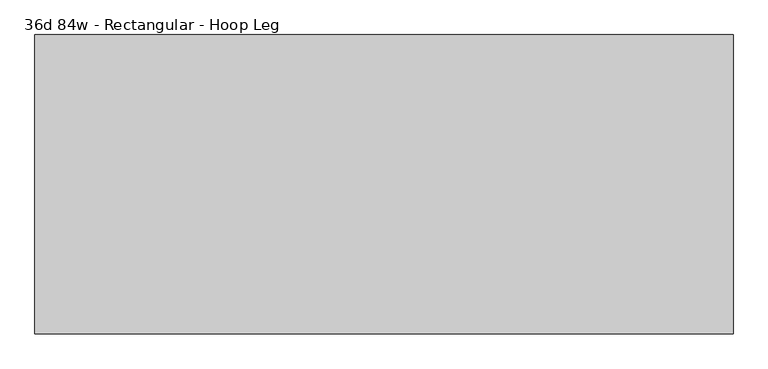
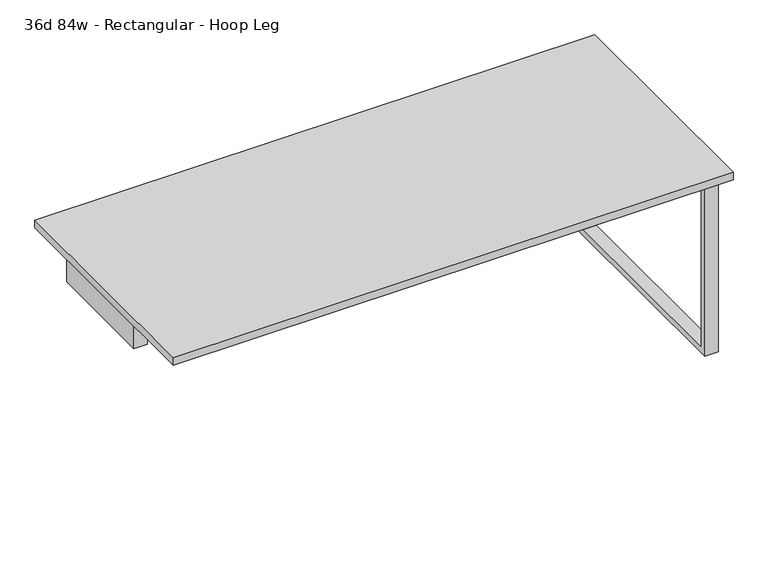
"""IFC4 building model written with IfcOpenShell, lengths in millimetres: furniture geometry, 36d 84w - Rectangular - Hoop Leg."""

from ifc_helpers import new_model, si_unit, frame, origin, place, context, project, spatial, polyline, outline, extrude, source, transform, mapped, element, save


def furniture_36d_84w_rectangular_hoop_leg_ca99e7e8(model_context):
    return source(origin(), model_context, "Body", "SweptSolid", [
        extrude(outline(polyline([(-390.525, 706.4375), (-390.525, 20.6375), (390.525, 20.6375), (390.525, 706.4375), (415.925, 706.4375), (415.925, 0.0), (-415.925, 0.0), (-415.925, 706.4375), (-390.525, 706.4375)])), frame((982.98, 0.0, 0.0), z_axis=(1.0, 0.0, 0.0), x_axis=(0.0, 1.0, 0.0)), (0.0, 0.0, 1.0), 50.8),
        extrude(outline(polyline([(1066.8, -457.2), (-1066.8, -457.2), (-1066.8, 457.2), (1066.8, 457.2), (1066.8, -457.2)])), frame((0.0, 0.0, 706.4375), z_axis=(0.0, 0.0, 1.0), x_axis=(1.0, 0.0, 0.0)), (0.0, 0.0, 1.0), 30.1625),
        extrude(outline(polyline([(-990.6, -152.4), (-1041.4, -152.4), (-1041.4, 291.3971798), (-990.6, 291.3971798), (-990.6, -152.4)])), frame((0.0, 0.0, 579.4375), z_axis=(0.0, 0.0, 1.0), x_axis=(1.0, 0.0, 0.0)), (0.0, 0.0, 1.0), 152.4),
    ])


if __name__ == "__main__":
    model = new_model("IFC4")
    model_context = context("Model", 3, world=origin())
    ifc_project = project(units=[si_unit("LENGTHUNIT", "METRE", prefix="MILLI")], contexts=[model_context])
    site = spatial("IfcSite", under=ifc_project)
    building = spatial("IfcBuilding", under=site)
    placement = place(None, origin())
    furniture_36d_84w_rectangular_hoop_leg_shape = furniture_36d_84w_rectangular_hoop_leg_ca99e7e8(model_context)
    element("IfcFurniture", 1, ObjectType="36d 84w - Rectangular - Hoop Leg", at=placement, inside=building, context=model_context, shape_type="MappedRepresentation", body=[
        mapped(furniture_36d_84w_rectangular_hoop_leg_shape, transform((0.0, 0.0, 0.0), x_axis=(1.0, 0.0, 0.0), y_axis=(0.0, 1.0, 0.0), z_axis=(0.0, 0.0, 1.0))),
    ])
    save(model, "model.ifc")
